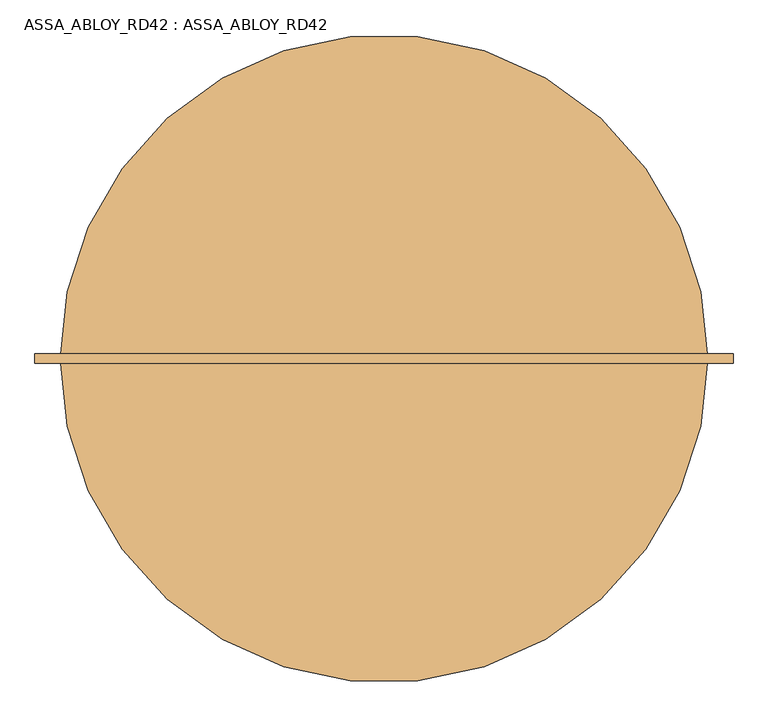
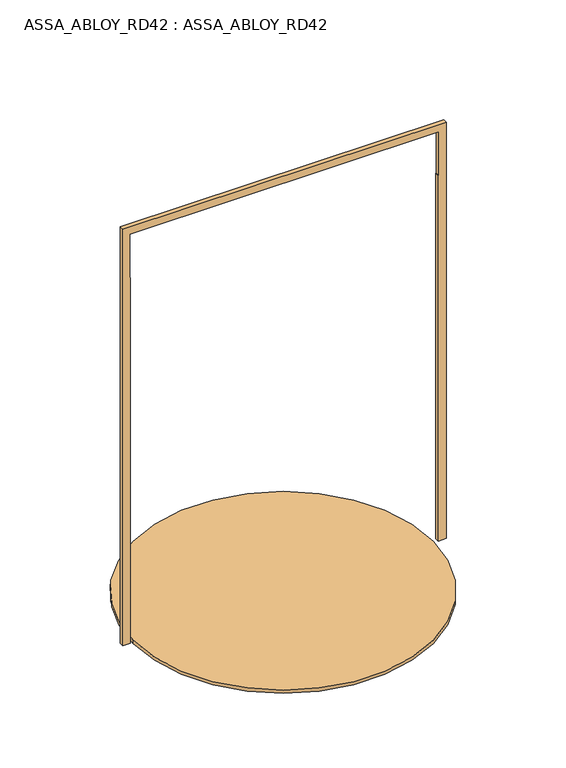
"""IFC4 building model written with IfcOpenShell, lengths in millimetres: door geometry, ASSA_ABLOY_RD42 : ASSA_ABLOY_RD42."""

from ifc_helpers import new_model, si_unit, point, frame, frame_2d, origin, place, context, project, spatial, polyline, circle_curve, trimmed, segment, composite_curve, outline, extrude, source, transform, mapped, element, save


def assa_abloy_rd42_assa_abloy_rd42_6df66bd3(model_context):
    return source(origin(), model_context, "Body", "SweptSolid", [
        extrude(outline(composite_curve([segment(trimmed(circle_curve(frame_2d((125.0, 0.0)), 971.0), [point((-846.0, 0.0))], [point((1096.0, 0.0))], False, "CARTESIAN"), True, "CONTINUOUS"), segment(trimmed(circle_curve(frame_2d((125.0, 0.0)), 971.0), [point((1096.0, 0.0))], [point((-846.0, 0.0))], False, "CARTESIAN"), True, "CONTINUOUS")], self_intersect=False)), frame((0.0, 0.0, -22.0), z_axis=(0.0, 0.0, 1.0), x_axis=(1.0, 0.0, 0.0)), (0.0, 0.0, 1.0), 22.0),
        extrude(outline(polyline([(2800.0, 1125.0), (2500.0, 1125.0), (2500.0, 1122.0), (0.0, 1122.0), (0.0, 1172.0), (2850.0, 1172.0), (2850.0, -922.0), (0.0, -922.0), (0.0, -872.0), (2500.0, -872.0), (2500.0, -875.0), (2800.0, -875.0), (2800.0, 1125.0)])), frame((0.0, -14.0, 0.0), z_axis=(0.0, 1.0, 0.0), x_axis=(0.0, 0.0, 1.0)), (0.0, 0.0, 1.0), 28.0),
    ])


if __name__ == "__main__":
    model = new_model("IFC4")
    model_context = context("Model", 3, world=origin())
    ifc_project = project(units=[si_unit("LENGTHUNIT", "METRE", prefix="MILLI")], contexts=[model_context])
    site = spatial("IfcSite", under=ifc_project)
    building = spatial("IfcBuilding", under=site)
    placement = place(None, origin())
    assa_abloy_rd42_assa_abloy_rd42_shape = assa_abloy_rd42_assa_abloy_rd42_6df66bd3(model_context)
    element("IfcDoor", 1, ObjectType="ASSA_ABLOY_RD42 : ASSA_ABLOY_RD42", at=placement, inside=building, context=model_context, shape_type="MappedRepresentation", body=[
        mapped(assa_abloy_rd42_assa_abloy_rd42_shape, transform((0.0, 0.0, 0.0), x_axis=(1.0, 0.0, 0.0), y_axis=(0.0, 1.0, 0.0), z_axis=(0.0, 0.0, 1.0))),
    ])
    save(model, "model.ifc")
